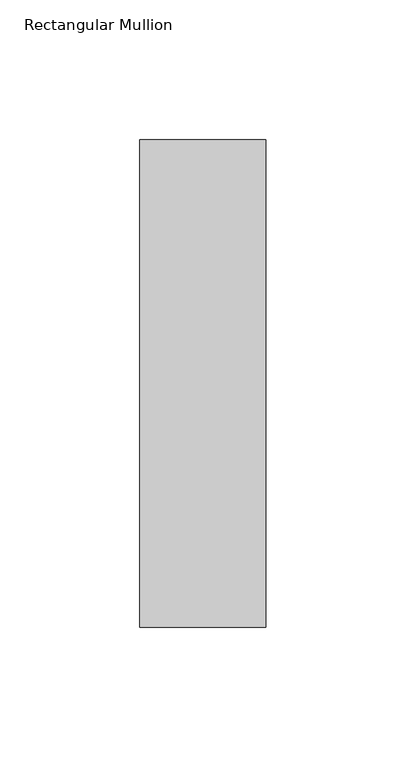
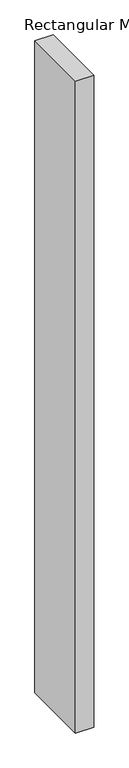
"""IFC4 building model written with IfcOpenShell, lengths in millimetres: member geometry, Rectangular Mullion."""

from ifc_helpers import new_model, si_unit, frame, origin, place, context, project, spatial, polyline, outline, extrude, source, transform, mapped, element, save


def rectangular_mullion_8adfa11d(model_context):
    return source(origin(), model_context, "Body", "SweptSolid", [
        extrude(outline(polyline([(22.5, 122.60625), (22.5, -51.60625), (-22.5, -51.60625), (-22.5, 122.60625), (22.5, 122.60625)])), frame((0.0, 0.0, -1708.8912252), z_axis=(0.0, 0.0, 1.0), x_axis=(1.0, 0.0, 0.0)), (0.0, 0.0, 1.0), 1708.8912252),
    ])


if __name__ == "__main__":
    model = new_model("IFC4")
    model_context = context("Model", 3, world=origin())
    ifc_project = project(units=[si_unit("LENGTHUNIT", "METRE", prefix="MILLI")], contexts=[model_context])
    site = spatial("IfcSite", under=ifc_project)
    building = spatial("IfcBuilding", under=site)
    placement = place(None, origin())
    rectangular_mullion_shape = rectangular_mullion_8adfa11d(model_context)
    element("IfcMember", 1, ObjectType="Rectangular Mullion", at=placement, inside=building, context=model_context, shape_type="MappedRepresentation", body=[
        mapped(rectangular_mullion_shape, transform((0.0, 0.0, 0.0), x_axis=(1.0, 0.0, 0.0), y_axis=(0.0, 1.0, 0.0), z_axis=(0.0, 0.0, 1.0))),
    ])
    save(model, "model.ifc")
